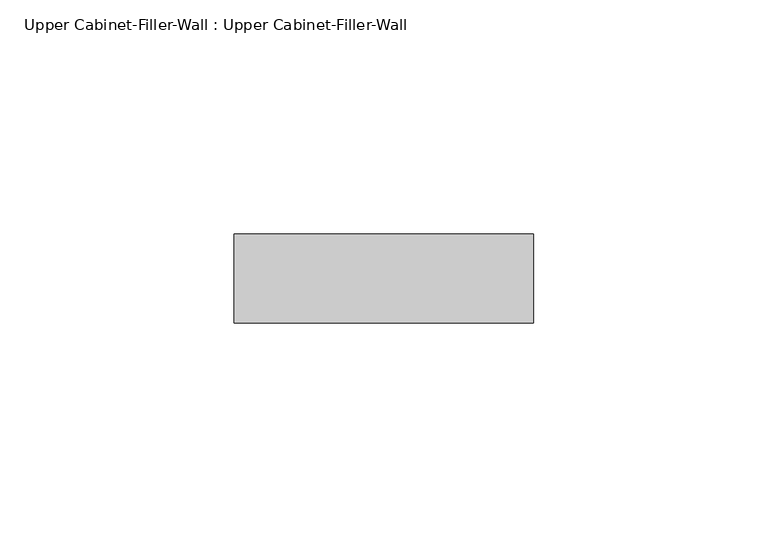
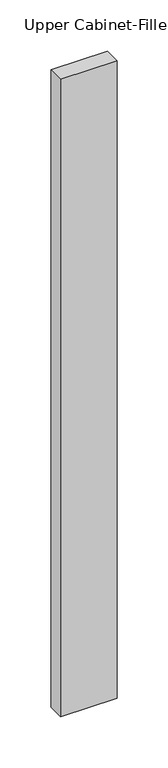
"""IFC4 building model written with IfcOpenShell, lengths in millimetres: furniture geometry, Upper Cabinet-Filler-Wall : Upper Cabinet-Filler-Wall."""

from ifc_helpers import new_model, si_unit, frame, origin, place, context, project, spatial, polyline, outline, extrude, source, transform, mapped, element, save


def upper_cabinet_filler_wall_upper_cabinet_filler_wall_c0235f4b(model_context):
    return source(origin(), model_context, "Body", "SweptSolid", [
        extrude(outline(polyline([(-2.2452716, 347.6625), (-2.2452716, 366.7125), (61.7875972, 366.7125), (61.7875972, 347.6625), (-2.2452716, 347.6625)])), frame((0.0, 0.0, 1371.6), z_axis=(0.0, 0.0, 1.0), x_axis=(1.0, 0.0, 0.0)), (0.0, 0.0, 1.0), 762.0),
    ])


if __name__ == "__main__":
    model = new_model("IFC4")
    model_context = context("Model", 3, world=origin())
    ifc_project = project(units=[si_unit("LENGTHUNIT", "METRE", prefix="MILLI")], contexts=[model_context])
    site = spatial("IfcSite", under=ifc_project)
    building = spatial("IfcBuilding", under=site)
    placement = place(None, origin())
    upper_cabinet_filler_wall_upper_cabinet_filler_wall_shape = upper_cabinet_filler_wall_upper_cabinet_filler_wall_c0235f4b(model_context)
    element("IfcFurniture", 1, ObjectType="Upper Cabinet-Filler-Wall : Upper Cabinet-Filler-Wall", at=placement, inside=building, context=model_context, shape_type="MappedRepresentation", body=[
        mapped(upper_cabinet_filler_wall_upper_cabinet_filler_wall_shape, transform((0.0, 0.0, 0.0), x_axis=(1.0, 0.0, 0.0), y_axis=(0.0, 1.0, 0.0), z_axis=(0.0, 0.0, 1.0))),
    ])
    save(model, "model.ifc")
